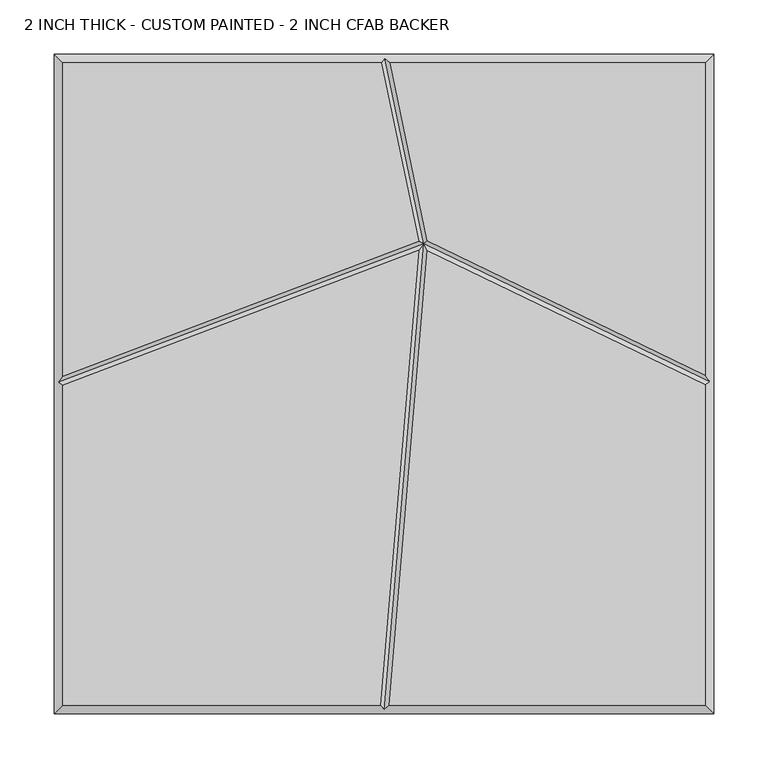
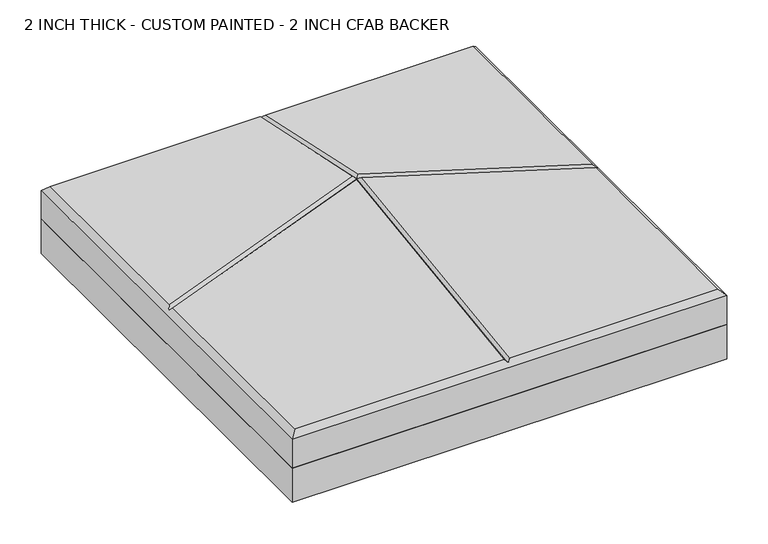
"""IFC4 building model written with IfcOpenShell, lengths in millimetres: proxy geometry, 2 INCH THICK - CUSTOM PAINTED - 2 INCH CFAB BACKER."""

from ifc_helpers import new_model, si_unit, frame, origin, place, context, project, spatial, polyline, outline, extrude, faceted_brep, source, transform, mapped, element, save


def proxy_2_inch_thick_custom_painted_2_inch_cfab_backer_1e787adf(model_context):
    return source(origin(), model_context, "Body", "SolidModel", [
        extrude(outline(polyline([(-304.8, 304.8), (304.8, 304.8), (304.8, -304.8), (-304.8, -304.8), (-304.8, 304.8)])), frame((0.0, 0.0, -50.8), z_axis=(0.0, 0.0, 1.0), x_axis=(1.0, 0.0, 0.0)), (0.0, 0.0, 1.0), 50.8),
        faceted_brep([(-296.799, -1.2448936, 50.8), (-296.799, -296.799, 50.8), (-3.3400901, -296.799, 50.8), (32.0932726, 123.4506539, 50.8), (-296.799, 296.799, 50.8), (-296.799, 7.3118593, 50.8), (31.9984357, 131.9714505, 50.8), (-2.4162247, 296.799, 50.8), (296.799, -296.799, 50.8), (296.799, -0.5803511, 50.8), (40.1110006, 123.3123478, 50.8), (4.6892992, -296.799, 50.8), (296.799, 8.3038558, 50.8), (296.799, 296.799, 50.8), (5.757313, 296.799, 50.8), (40.1265394, 132.1890548, 50.8), (-304.8, 304.8, 0.0), (304.8, 304.8, 0.0), (304.8, -304.8, 0.0), (-304.8, -304.8, 0.0), (-304.8, -304.8, 42.799), (-304.8, 304.8, 42.799), (304.8, -304.8, 42.799), (304.8, 304.8, 42.799), (0.8352721, 300.7995, 46.7995), (-300.7995, 1.5167414, 46.7995), (0.3373023, -300.7995, 46.7995), (300.7995, 1.9308762, 46.7995), (36.6131869, 129.4427015, 46.7995)], [[[0, 1, 2, 3]], [[4, 5, 6, 7]], [[8, 9, 10, 11]], [[12, 13, 14, 15]], [[16, 17, 18, 19]], [[16, 19, 20, 21]], [[19, 18, 22, 20]], [[18, 17, 23, 22]], [[17, 16, 21, 23]], [[21, 4, 7, 24, 14, 13, 23]], [[4, 21, 20, 1, 0, 25, 5]], [[1, 20, 22, 8, 11, 26, 2]], [[23, 13, 12, 27, 9, 8, 22]], [[27, 28, 10, 9]], [[28, 27, 12, 15]], [[28, 25, 0, 3]], [[25, 28, 6, 5]], [[24, 28, 15, 14]], [[28, 24, 7, 6]], [[28, 26, 11, 10]], [[26, 28, 3, 2]]]),
    ])


if __name__ == "__main__":
    model = new_model("IFC4")
    model_context = context("Model", 3, world=origin())
    ifc_project = project(units=[si_unit("LENGTHUNIT", "METRE", prefix="MILLI")], contexts=[model_context])
    site = spatial("IfcSite", under=ifc_project)
    building = spatial("IfcBuilding", under=site)
    placement = place(None, origin())
    proxy_2_inch_thick_custom_painted_2_inch_cfab_backer_shape = proxy_2_inch_thick_custom_painted_2_inch_cfab_backer_1e787adf(model_context)
    element("IfcBuildingElementProxy", 1, Name="2 INCH THICK - CUSTOM PAINTED - 2 INCH CFAB BACKER", ObjectType="2 INCH THICK - CUSTOM PAINTED - 2 INCH CFAB BACKER", at=placement, inside=building, context=model_context, shape_type="MappedRepresentation", body=[
        mapped(proxy_2_inch_thick_custom_painted_2_inch_cfab_backer_shape, transform((0.0, 0.0, 0.0), x_axis=(1.0, 0.0, 0.0), y_axis=(0.0, 1.0, 0.0), z_axis=(0.0, 0.0, 1.0))),
    ])
    save(model, "model.ifc")
